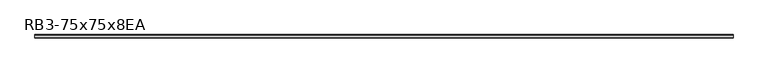
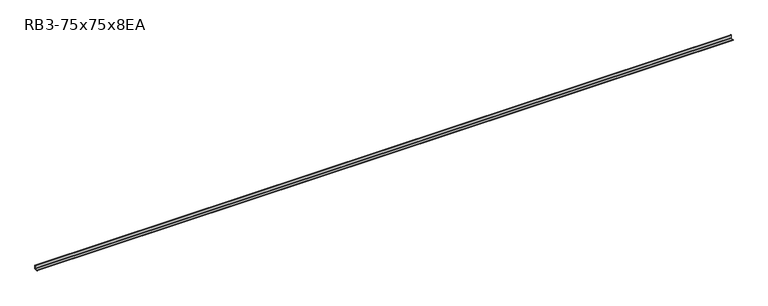
"""IFC4 building model written with IfcOpenShell, lengths in millimetres: member geometry, RB3-75x75x8EA."""

from ifc_helpers import new_model, si_unit, point, frame, frame_2d, origin, place, context, project, spatial, polyline, circle_curve, trimmed, segment, composite_curve, outline, extrude, source, transform, mapped, element, save


def rb3_75x75x8ea_10ba4498(model_context):
    return source(origin(), model_context, "Body", "SweptSolid", [
        extrude(outline(composite_curve([segment(polyline([(21.3, -21.3), (-53.7, -21.3), (-53.7, -18.3)]), True, "CONTINUOUS"), segment(trimmed(circle_curve(frame_2d((-48.7, -18.3)), 5.0), [point((-53.7, -18.3))], [point((-48.7, -13.3))], False, "CARTESIAN"), True, "CONTINUOUS"), segment(polyline([(-48.7, -13.3), (5.3, -13.3)]), True, "CONTINUOUS"), segment(trimmed(circle_curve(frame_2d((5.3, -5.3)), 8.0), [point((5.3, -13.3))], [point((13.3, -5.3))], True, "CARTESIAN"), True, "CONTINUOUS"), segment(polyline([(13.3, -5.3), (13.3, 48.7)]), True, "CONTINUOUS"), segment(trimmed(circle_curve(frame_2d((18.3, 48.7)), 5.0), [point((13.3, 48.7))], [point((18.3, 53.7))], False, "CARTESIAN"), True, "CONTINUOUS"), segment(polyline([(18.3, 53.7), (21.3, 53.7), (21.3, -21.3)]), True, "CONTINUOUS")], self_intersect=False)), frame((-7289.0, 0.0, 0.0), z_axis=(1.0, 0.0, 0.0), x_axis=(0.0, 1.0, 0.0)), (0.0, 0.0, 1.0), 14619.6031773),
    ])


if __name__ == "__main__":
    model = new_model("IFC4")
    model_context = context("Model", 3, world=origin())
    ifc_project = project(units=[si_unit("LENGTHUNIT", "METRE", prefix="MILLI")], contexts=[model_context])
    site = spatial("IfcSite", under=ifc_project)
    building = spatial("IfcBuilding", under=site)
    placement = place(None, origin())
    rb3_75x75x8ea_shape = rb3_75x75x8ea_10ba4498(model_context)
    element("IfcMember", 1, ObjectType="RB3-75x75x8EA", at=placement, inside=building, context=model_context, shape_type="MappedRepresentation", body=[
        mapped(rb3_75x75x8ea_shape, transform((0.0, 0.0, 0.0), x_axis=(1.0, 0.0, 0.0), y_axis=(0.0, 1.0, 0.0), z_axis=(0.0, 0.0, 1.0))),
    ])
    save(model, "model.ifc")
